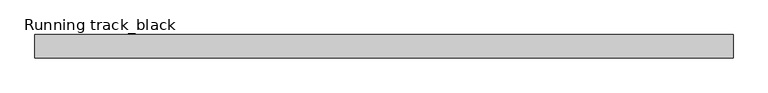
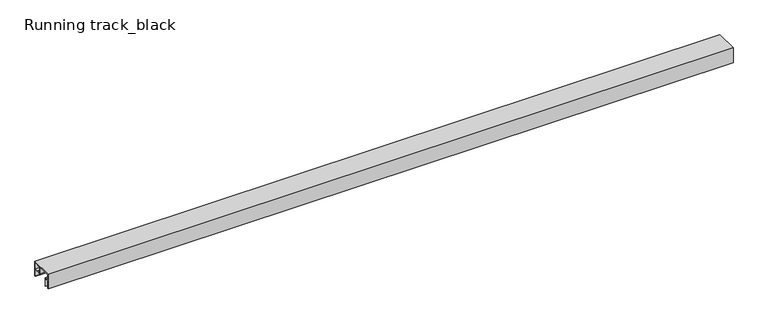
"""IFC4 building model written with IfcOpenShell, lengths in millimetres: proxy geometry, Running track_black."""

import ifcopenshell
import ifcopenshell.guid

model = None  # the IFC model being written
_history = None  # IfcOwnerHistory: only IFC2X3 demands one
_inside = {}  # id of a spatial element -> (the spatial element, [elements in it])
_under = {}  # id of a project, library or spatial element -> (it, [spatial elements below it])
_declared = {}  # id of a project -> (the project, [libraries it declares])
_typed = {}  # id of a type object -> (the type object, [elements of that type])
_made_of = {}  # id of a material, layer set ... -> (it, [elements and type objects made of it])


def new_model(schema):
    """Start an empty IFC model of exactly this schema.

    Asked for "IFC4X3", IfcOpenShell would pick the latest addendum, in which some entities
    have other attributes; the version numbers below select the first issue.
    IFC2X3 requires an IfcOwnerHistory on every rooted entity: one is made here for all.
    """
    global model, _history
    if schema == "IFC4X3":
        model = ifcopenshell.file(schema_version=(4, 3, 0, 0))
    else:
        model = ifcopenshell.file(schema=schema)
    _inside.clear()
    _under.clear()
    _declared.clear()
    _typed.clear()
    _made_of.clear()
    _history = None
    if model.schema == "IFC2X3":
        org = make("IfcOrganization", Name="unknown")
        user = make(
            "IfcPersonAndOrganization",
            ThePerson=make("IfcPerson", FamilyName="unknown"),
            TheOrganization=org,
        )
        app = make(
            "IfcApplication",
            ApplicationDeveloper=org,
            Version="unknown",
            ApplicationFullName="unknown",
            ApplicationIdentifier="unknown",
        )
        _history = make(
            "IfcOwnerHistory",
            OwningUser=user,
            OwningApplication=app,
            ChangeAction="ADDED",
            CreationDate=0,
        )
    return model


def make(cls, **values):
    """One entity of the class cls with the attributes given. An attribute that is None is left unset."""
    return model.create_entity(
        cls, **{name: value for name, value in values.items() if value is not None}
    )


def rooted(cls, **values):
    """An entity with a GlobalId (a new one), such as an element, a storey or a relation."""
    return make(cls, GlobalId=ifcopenshell.guid.new(), OwnerHistory=_history, **values)


def si_unit(unit_type, name, prefix=None):
    """IfcSIUnit, for example si_unit("LENGTHUNIT", "METRE", prefix="MILLI")."""
    return make("IfcSIUnit", UnitType=unit_type, Prefix=prefix, Name=name)


def assignment(units):
    """IfcUnitAssignment: the units of a project."""
    return None if units is None else make("IfcUnitAssignment", Units=units)


def point(xyz):
    """IfcCartesianPoint."""
    return None if xyz is None else make("IfcCartesianPoint", Coordinates=xyz)


def direction(xyz):
    """IfcDirection."""
    return None if xyz is None else make("IfcDirection", DirectionRatios=xyz)


def frame(location, z_axis=None, x_axis=None):
    """IfcAxis2Placement3D, a coordinate frame: its origin and axes. An axis left out is left unset."""
    return make(
        "IfcAxis2Placement3D",
        Location=point(location),
        Axis=direction(z_axis),
        RefDirection=direction(x_axis),
    )


def origin():
    """The frame at (0, 0, 0) with its axes left unset."""
    return frame((0.0, 0.0, 0.0))


def place(relative_to, where):
    """IfcLocalPlacement: puts the frame where relative to a parent placement (None: the world)."""
    return make(
        "IfcLocalPlacement", PlacementRelTo=relative_to, RelativePlacement=where
    )


def context(
    kind, dimensions, precision=None, world=None, true_north=None, identifier=None
):
    """IfcGeometricRepresentationContext, for example the 3D "Model" context."""
    return make(
        "IfcGeometricRepresentationContext",
        ContextIdentifier=identifier,
        ContextType=kind,
        CoordinateSpaceDimension=dimensions,
        Precision=precision,
        WorldCoordinateSystem=world,
        TrueNorth=true_north,
    )


def project(units=None, contexts=None):
    """IfcProject with its units and contexts."""
    return rooted(
        "IfcProject",
        Name="project",
        RepresentationContexts=contexts,
        UnitsInContext=assignment(units),
    )


def spatial(cls, under=None, at=None, **own):
    """A site, building, storey or space (cls), placed at a placement, below another one or the project."""
    s = rooted(cls, ObjectPlacement=at, **own)
    if under is not None:
        _under.setdefault(under.id(), (under, []))[1].append(s)
    return s


def polyline(points):
    """IfcPolyline through the points."""
    return make("IfcPolyline", Points=[point(p) for p in points])


def outline(outer, holes=None, kind="AREA"):
    """IfcArbitraryClosedProfileDef: a profile drawn as a closed curve; with holes, ...WithVoids."""
    if holes is None:
        return make("IfcArbitraryClosedProfileDef", ProfileType=kind, OuterCurve=outer)
    return make(
        "IfcArbitraryProfileDefWithVoids",
        ProfileType=kind,
        OuterCurve=outer,
        InnerCurves=holes,
    )


def extrude(swept, where, along, depth):
    """IfcExtrudedAreaSolid: the profile swept, set in the frame where, extruded along a direction by depth."""
    return make(
        "IfcExtrudedAreaSolid",
        SweptArea=swept,
        Position=where,
        ExtrudedDirection=direction(along),
        Depth=depth,
    )


def shape(context_of_items, identifier, shape_type, items):
    """IfcShapeRepresentation: the items that make up one representation, for example the "Body"."""
    return make(
        "IfcShapeRepresentation",
        ContextOfItems=context_of_items,
        RepresentationIdentifier=identifier,
        RepresentationType=shape_type,
        Items=items,
    )


def source(mapping_origin, context_of_items, identifier, shape_type, items):
    """IfcRepresentationMap: a shape defined once, which mapped items show again and again."""
    return make(
        "IfcRepresentationMap",
        MappingOrigin=mapping_origin,
        MappedRepresentation=shape(context_of_items, identifier, shape_type, items),
    )


def transform(
    local_origin,
    x_axis=None,
    y_axis=None,
    z_axis=None,
    scale=None,
    scale2=None,
    scale3=None,
    uniform=True,
):
    """IfcCartesianTransformationOperator3D, or its non-uniform kind. x_axis, y_axis, z_axis: its Axis1, 2, 3."""
    if uniform:
        return make(
            "IfcCartesianTransformationOperator3D",
            Axis1=direction(x_axis),
            Axis2=direction(y_axis),
            LocalOrigin=point(local_origin),
            Scale=scale,
            Axis3=direction(z_axis),
        )
    return make(
        "IfcCartesianTransformationOperator3DnonUniform",
        Axis1=direction(x_axis),
        Axis2=direction(y_axis),
        LocalOrigin=point(local_origin),
        Scale=scale,
        Axis3=direction(z_axis),
        Scale2=scale2,
        Scale3=scale3,
    )


def mapped(mapping_source, mapping_target):
    """IfcMappedItem: shows the shape of a source again, moved by a transform."""
    return make(
        "IfcMappedItem", MappingSource=mapping_source, MappingTarget=mapping_target
    )


def made_of(thing, what):
    """Note that an element or type object is made of a material, layer set ...; save() writes the relation."""
    if what is not None:
        _made_of.setdefault(what.id(), (what, []))[1].append(thing)
    return thing


def element(
    cls,
    number,
    at=None,
    inside=None,
    cuts=None,
    type_object=None,
    material=None,
    context=None,
    identifier="Body",
    shape_type=None,
    held_by="IfcProductDefinitionShape",
    body=None,
    shapes=None,
    **own,
):
    """One element of the class cls, such as IfcWall. Its Tag is "e" and its number.

    at: its placement. inside: the storey or other place that contains it. cuts: it is an
    opening in that element (IfcRelVoidsElement). A single representation is given by context,
    identifier, shape_type and body (its items); several are given by shapes. held_by: the class
    of the entity that holds the representations. save() writes the other relations.
    """
    e = rooted(cls, Tag="e%d" % number, ObjectPlacement=at, **own)
    if body is not None:
        shapes = [shape(context, identifier, shape_type, body)]
    if shapes is not None:
        e.Representation = make(held_by, Representations=shapes)
    if inside is not None:
        _inside.setdefault(inside.id(), (inside, []))[1].append(e)
    if cuts is not None:
        rooted(
            "IfcRelVoidsElement", RelatingBuildingElement=cuts, RelatedOpeningElement=e
        )
    if type_object is not None:
        _typed.setdefault(type_object.id(), (type_object, []))[1].append(e)
    return made_of(e, material)


def aggregate(whole, parts):
    """IfcRelAggregates: a whole, such as a stair, and the parts it consists of."""
    return rooted("IfcRelAggregates", RelatingObject=whole, RelatedObjects=parts)


def save(model, path):
    """Write the relations noted so far, then the file.

    IfcRelAggregates (storeys below a building ...), IfcRelContainedInSpatialStructure (elements
    in a storey), IfcRelDefinesByType, IfcRelAssociatesMaterial and IfcRelDeclares: one each for
    every whole, place, type object, material and project.
    """
    for whole, parts in _under.values():
        aggregate(whole, parts)
    for where, things in _inside.values():
        rooted(
            "IfcRelContainedInSpatialStructure",
            RelatedElements=things,
            RelatingStructure=where,
        )
    for kind, things in _typed.values():
        rooted("IfcRelDefinesByType", RelatedObjects=things, RelatingType=kind)
    for what, things in _made_of.values():
        rooted("IfcRelAssociatesMaterial", RelatedObjects=things, RelatingMaterial=what)
    for by, libraries in _declared.values():
        rooted("IfcRelDeclares", RelatingContext=by, RelatedDefinitions=libraries)
    model.write(path)


def running_track_black_6833efc3(model_context):
    return source(origin(), model_context, "Body", "SweptSolid", [
        extrude(outline(polyline([(52.15, 2573.0), (52.15, 2539.75), (44.8, 2539.75), (44.8, 2532.05), (32.0, 2532.05), (32.0, 2573.0), (52.15, 2573.0)])), frame((0.0, 9.5, 0.0), z_axis=(0.0, 1.0, 0.0), x_axis=(0.0, 0.0, 1.0)), (0.0, 0.0, 1.0), 29.0),
        extrude(outline(polyline([(2573.0, 36.5), (2573.0, 11.468441), (2532.05, 11.468441), (2532.05, 36.5), (2573.0, 36.5)])), frame((0.0, 0.0, 30.0), z_axis=(0.0, 0.0, 1.0), x_axis=(1.0, 0.0, 0.0)), (0.0, 0.0, 1.0), 2.0),
        extrude(outline(polyline([(53.96253, 2524.677645), (52.15, 2515.1605826), (53.96253, 2501.7314459), (51.9443954, 2501.7314459), (50.124477, 2515.2153231), (52.15, 2525.8507489), (52.15, 2573.0), (53.96253, 2573.0), (53.96253, 2524.677645)])), frame((0.0, 11.468441, 0.0), z_axis=(0.0, 1.0, 0.0), x_axis=(0.0, 0.0, 1.0)), (0.0, 0.0, 1.0), 25.031559),
        extrude(outline(polyline([(42.0, 58.0), (42.0, 0.0), (39.0, 0.0), (39.0, 3.0), (39.0, 27.0), (27.2, 27.0), (27.2, 30.0), (39.0, 30.0), (39.0, 55.0), (9.0, 55.0), (9.0, 30.0), (17.1, 30.0), (17.1, 27.0), (6.0, 27.0), (6.0, 30.0), (6.0, 55.0), (-41.0, 55.0), (-41.0, 33.0), (-24.0, 33.0), (-24.0, 0.0), (-27.0, 0.0), (-27.0, 30.0), (-41.0, 30.0), (-41.0, 0.0), (-44.0, 0.0), (-44.0, 58.0), (42.0, 58.0)])), frame((0.0, 0.0, 0.0), z_axis=(1.0, 0.0, 0.0), x_axis=(0.0, 1.0, 0.0)), (0.0, 0.0, 1.0), 2582.0),
    ])


if __name__ == "__main__":
    model = new_model("IFC4")
    model_context = context("Model", 3, world=origin())
    ifc_project = project(units=[si_unit("LENGTHUNIT", "METRE", prefix="MILLI")], contexts=[model_context])
    site = spatial("IfcSite", under=ifc_project)
    building = spatial("IfcBuilding", under=site)
    placement = place(None, origin())
    running_track_black_shape = running_track_black_6833efc3(model_context)
    element("IfcBuildingElementProxy", 1, Name="Running track_black", ObjectType="Running track_black", at=placement, inside=building, context=model_context, shape_type="MappedRepresentation", body=[
        mapped(running_track_black_shape, transform((0.0, 0.0, 0.0), x_axis=(1.0, 0.0, 0.0), y_axis=(0.0, 1.0, 0.0), z_axis=(0.0, 0.0, 1.0))),
    ])
    save(model, "model.ifc")
